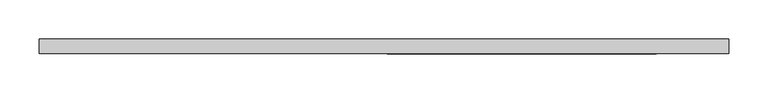
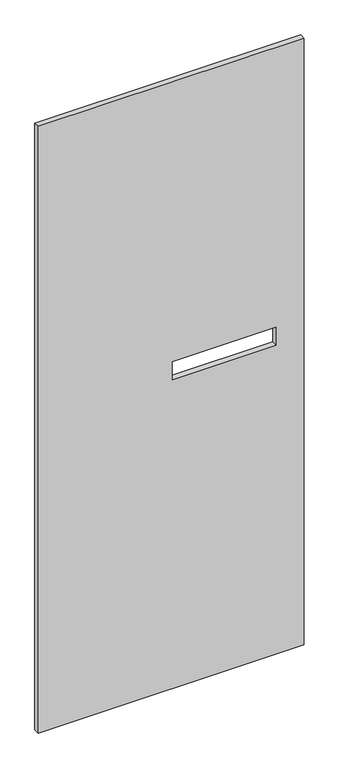
"""IFC4 building model written with IfcOpenShell, lengths in millimetres: proxy geometry."""

from ifc_helpers import new_model, si_unit, frame, origin, place, context, project, spatial, polyline, outline, extrude, source, transform, mapped, element, save


def specialty_equipment_0a7e6fe4(model_context):
    return source(origin(), model_context, "Body", "SweptSolid", [
        extrude(outline(polyline([(2130.425, -441.5309122), (3.175, -441.5309122), (3.175, 441.5309122), (2130.425, 441.5309122), (2130.425, -441.5309122)]), holes=[polyline([(1086.485, 348.488), (1086.485, 4.064), (1148.715, 4.064), (1148.715, 348.488), (1086.485, 348.488)])]), frame((0.0, -9.525, 0.0), z_axis=(0.0, 1.0, 0.0), x_axis=(0.0, 0.0, 1.0)), (0.0, 0.0, 1.0), 19.05),
    ])


if __name__ == "__main__":
    model = new_model("IFC4")
    model_context = context("Model", 3, world=origin())
    ifc_project = project(units=[si_unit("LENGTHUNIT", "METRE", prefix="MILLI")], contexts=[model_context])
    site = spatial("IfcSite", under=ifc_project)
    building = spatial("IfcBuilding", under=site)
    placement = place(None, origin())
    specialty_equipment_shape = specialty_equipment_0a7e6fe4(model_context)
    element("IfcBuildingElementProxy", 1, Name="Specialty Equipment", at=placement, inside=building, context=model_context, shape_type="MappedRepresentation", body=[
        mapped(specialty_equipment_shape, transform((0.0, 0.0, 0.0), x_axis=(1.0, 0.0, 0.0), y_axis=(0.0, 1.0, 0.0), z_axis=(0.0, 0.0, 1.0))),
    ])
    save(model, "model.ifc")
